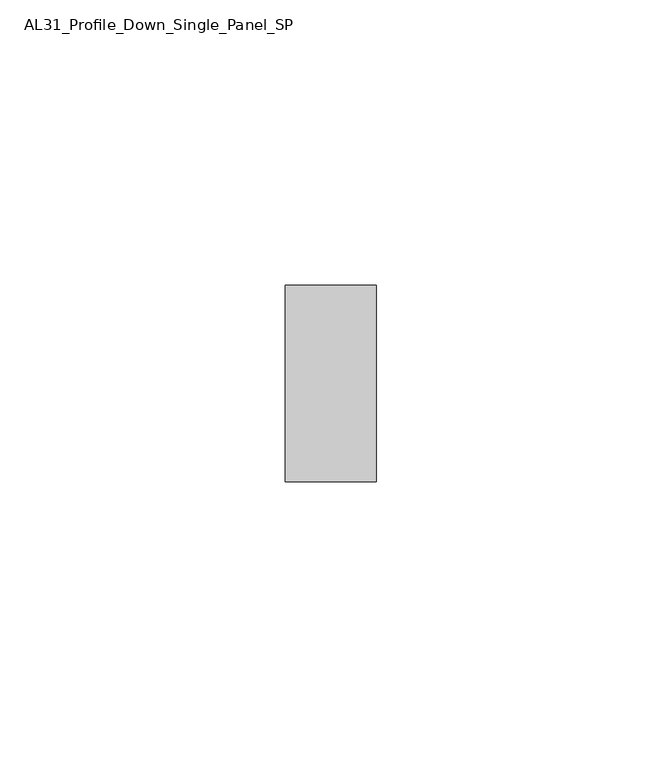
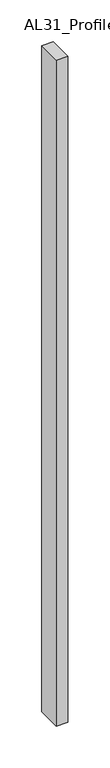
"""IFC4 building model written with IfcOpenShell, lengths in millimetres: member geometry, AL31_Profile_Down_Single_Panel_SP."""

from ifc_helpers import new_model, si_unit, frame, origin, place, context, project, spatial, polyline, outline, extrude, source, transform, mapped, element, save


def al31_profile_down_single_panel_sp_0801c97e(model_context):
    return source(origin(), model_context, "Body", "SweptSolid", [
        extrude(outline(polyline([(0.0, -17.25), (-16.0, -17.25), (-16.0, 17.25), (0.0, 17.25), (0.0, -17.25)])), frame((0.0, 0.0, -970.9810032), z_axis=(0.0, 0.0, 1.0), x_axis=(1.0, 0.0, 0.0)), (0.0, 0.0, 1.0), 970.9810032),
    ])


if __name__ == "__main__":
    model = new_model("IFC4")
    model_context = context("Model", 3, world=origin())
    ifc_project = project(units=[si_unit("LENGTHUNIT", "METRE", prefix="MILLI")], contexts=[model_context])
    site = spatial("IfcSite", under=ifc_project)
    building = spatial("IfcBuilding", under=site)
    placement = place(None, origin())
    al31_profile_down_single_panel_sp_shape = al31_profile_down_single_panel_sp_0801c97e(model_context)
    element("IfcMember", 1, ObjectType="AL31_Profile_Down_Single_Panel_SP", at=placement, inside=building, context=model_context, shape_type="MappedRepresentation", body=[
        mapped(al31_profile_down_single_panel_sp_shape, transform((0.0, 0.0, 0.0), x_axis=(1.0, 0.0, 0.0), y_axis=(0.0, 1.0, 0.0), z_axis=(0.0, 0.0, 1.0))),
    ])
    save(model, "model.ifc")
